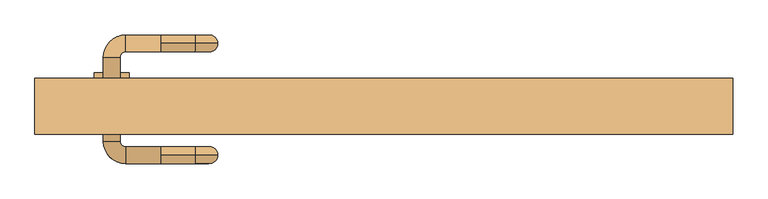
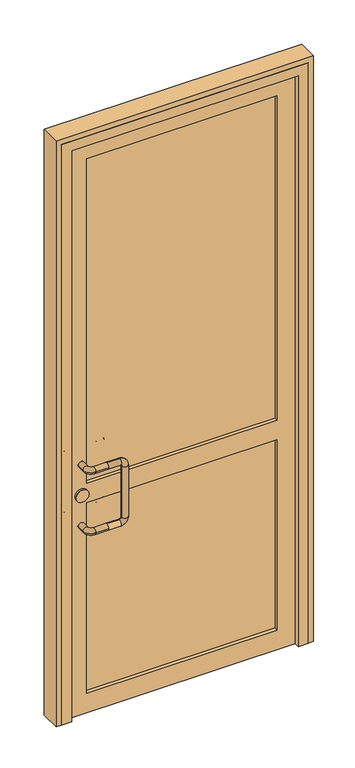
"""IFC4 building model written with IfcOpenShell, lengths in millimetres: door geometry."""

from ifc_helpers import new_model, si_unit, point, frame, frame_2d, origin, place, context, project, spatial, polyline, circle_curve, ellipse_curve, trimmed, segment, composite_curve, outline, extrude, faceted_brep, source, transform, mapped, element, save
from ifc_brep_helpers import cylinder_surface, revolved_surface, advanced_brep


def door_597c512e(model_context):
    return source(origin(), model_context, "Body", "SolidModel", [
        advanced_brep(
        [(-320.0, 112.0, 1025.0), (-370.0, 112.0, 1025.0), (-370.0, 88.0, 1025.0), (-320.0, 88.0, 1025.0), (-320.0, 100.0, 1037.0), (-320.0, 100.0, 1013.0), (-402.0, 80.0, 1025.0), (-378.0, 80.0, 1025.0), (-402.0, -40.0, 1025.0), (-378.0, -40.0, 1025.0), (-370.0, -72.0, 1025.0), (-370.0, -48.0, 1025.0), (-320.0, -72.0, 1025.0), (-320.0, -60.0, 1037.0), (-320.0, -48.0, 1025.0), (-320.0, -60.0, 1013.0), (-270.0, 100.0, 1013.0), (-270.0, 100.0, 1037.0), (-262.0, 100.0, 1005.0), (-238.0, 100.0, 1005.0), (-262.0, 100.0, 795.0), (-238.0, 100.0, 795.0), (-270.0, 100.0, 787.0), (-270.0, 100.0, 763.0), (-320.0, 100.0, 787.0), (-320.0, 88.0, 775.0), (-320.0, 100.0, 763.0), (-320.0, 112.0, 775.0), (-370.0, 112.0, 775.0), (-370.0, 88.0, 775.0), (-402.0, 80.0, 775.0), (-378.0, 80.0, 775.0), (-402.0, -40.0, 775.0), (-378.0, -40.0, 775.0), (-370.0, -72.0, 775.0), (-370.0, -48.0, 775.0), (-320.0, -72.0, 775.0), (-320.0, -60.0, 787.0), (-320.0, -48.0, 775.0), (-320.0, -60.0, 763.0), (-270.0, -60.0, 1013.0), (-270.0, -60.0, 1037.0), (-262.0, -60.0, 1005.0), (-238.0, -60.0, 1005.0), (-262.0, -60.0, 795.0), (-238.0, -60.0, 795.0), (-270.0, -60.0, 787.0), (-270.0, -60.0, 763.0)],
        [
            (0, 1),
            (1, 2, circle_curve(frame((-370.0, 100.0, 1025.0), z_axis=(1.0, 0.0, 0.0), x_axis=(0.0, -1.0, 0.0)), 12.0)),
            (2, 3),
            (3, 4, circle_curve(frame((-320.0, 100.0, 1025.0), z_axis=(-1.0, 0.0, 0.0), x_axis=(0.0, -1.0, 0.0)), 12.0)),
            (4, 0, circle_curve(frame((-320.0, 100.0, 1025.0), z_axis=(-1.0, 0.0, 0.0), x_axis=(0.0, -1.0, 0.0)), 12.0)),
            (0, 5, circle_curve(frame((-320.0, 100.0, 1025.0), z_axis=(-1.0, 0.0, 0.0), x_axis=(0.0, -1.0, 0.0)), 12.0)),
            (5, 3, circle_curve(frame((-320.0, 100.0, 1025.0), z_axis=(-1.0, 0.0, 0.0), x_axis=(0.0, -1.0, 0.0)), 12.0)),
            (2, 1, circle_curve(frame((-370.0, 100.0, 1025.0), z_axis=(1.0, 0.0, 0.0), x_axis=(0.0, -1.0, 0.0)), 12.0)),
            (1, 6, circle_curve(frame((-370.0, 80.0, 1025.0), z_axis=(0.0, 0.0, 1.0), x_axis=(0.0, 1.0, 0.0)), 32.0)),
            (6, 7, circle_curve(frame((-390.0, 80.0, 1025.0), z_axis=(0.0, 1.0, 0.0), x_axis=(1.0, 0.0, 0.0)), 12.0)),
            (7, 2, circle_curve(frame((-370.0, 80.0, 1025.0), z_axis=(0.0, 0.0, -1.0), x_axis=(0.0, 1.0, 0.0)), 8.0)),
            (7, 6, circle_curve(frame((-390.0, 80.0, 1025.0), z_axis=(0.0, 1.0, 0.0), x_axis=(1.0, 0.0, 0.0)), 12.0)),
            (6, 8),
            (8, 9, circle_curve(frame((-390.0, -40.0, 1025.0), z_axis=(0.0, 1.0, 0.0), x_axis=(1.0, 0.0, 0.0)), 12.0)),
            (9, 7),
            (9, 8, circle_curve(frame((-390.0, -40.0, 1025.0), z_axis=(0.0, 1.0, 0.0), x_axis=(1.0, 0.0, 0.0)), 12.0)),
            (8, 10, circle_curve(frame((-370.0, -40.0, 1025.0), z_axis=(0.0, 0.0, 1.0), x_axis=(-1.0, 0.0, 0.0)), 32.0)),
            (10, 11, circle_curve(frame((-370.0, -60.0, 1025.0), z_axis=(-1.0, 0.0, 0.0), x_axis=(0.0, 1.0, 0.0)), 12.0)),
            (11, 9, circle_curve(frame((-370.0, -40.0, 1025.0), z_axis=(0.0, 0.0, -1.0), x_axis=(-1.0, 0.0, 0.0)), 8.0)),
            (11, 10, circle_curve(frame((-370.0, -60.0, 1025.0), z_axis=(-1.0, 0.0, 0.0), x_axis=(0.0, 1.0, 0.0)), 12.0)),
            (10, 12),
            (12, 13, circle_curve(frame((-320.0, -60.0, 1025.0), z_axis=(-1.0, 0.0, 0.0), x_axis=(0.0, 1.0, 0.0)), 12.0)),
            (13, 14, circle_curve(frame((-320.0, -60.0, 1025.0), z_axis=(-1.0, 0.0, 0.0), x_axis=(0.0, 1.0, 0.0)), 12.0)),
            (14, 11),
            (14, 15, circle_curve(frame((-320.0, -60.0, 1025.0), z_axis=(-1.0, 0.0, 0.0), x_axis=(0.0, 1.0, 0.0)), 12.0)),
            (15, 12, circle_curve(frame((-320.0, -60.0, 1025.0), z_axis=(-1.0, 0.0, 0.0), x_axis=(0.0, 1.0, 0.0)), 12.0)),
            (5, 16),
            (16, 17, circle_curve(frame((-270.0, 100.0, 1025.0), z_axis=(-1.0, 0.0, 0.0), x_axis=(0.0, 0.0, 1.0)), 12.0)),
            (17, 4),
            (17, 16, circle_curve(frame((-270.0, 100.0, 1025.0), z_axis=(-1.0, 0.0, 0.0), x_axis=(0.0, 0.0, 1.0)), 12.0)),
            (16, 18, circle_curve(frame((-270.0, 100.0, 1005.0), z_axis=(0.0, 1.0, 0.0), x_axis=(0.0, 0.0, 1.0)), 8.0)),
            (18, 19, circle_curve(frame((-250.0, 100.0, 1005.0), z_axis=(0.0, 0.0, 1.0), x_axis=(1.0, 0.0, 0.0)), 12.0)),
            (19, 17, circle_curve(frame((-270.0, 100.0, 1005.0), z_axis=(0.0, -1.0, 0.0), x_axis=(0.0, 0.0, 1.0)), 32.0)),
            (19, 18, circle_curve(frame((-250.0, 100.0, 1005.0), z_axis=(0.0, 0.0, 1.0), x_axis=(1.0, 0.0, 0.0)), 12.0)),
            (18, 20),
            (20, 21, circle_curve(frame((-250.0, 100.0, 795.0), z_axis=(0.0, 0.0, 1.0), x_axis=(1.0, 0.0, 0.0)), 12.0)),
            (21, 19),
            (21, 20, circle_curve(frame((-250.0, 100.0, 795.0), z_axis=(0.0, 0.0, 1.0), x_axis=(1.0, 0.0, 0.0)), 12.0)),
            (20, 22, circle_curve(frame((-270.0, 100.0, 795.0), z_axis=(0.0, 1.0, 0.0), x_axis=(1.0, 0.0, 0.0)), 8.0)),
            (22, 23, circle_curve(frame((-270.0, 100.0, 775.0), z_axis=(1.0, 0.0, 0.0), x_axis=(0.0, 0.0, -1.0)), 12.0)),
            (23, 21, circle_curve(frame((-270.0, 100.0, 795.0), z_axis=(0.0, -1.0, 0.0), x_axis=(1.0, 0.0, 0.0)), 32.0)),
            (23, 22, circle_curve(frame((-270.0, 100.0, 775.0), z_axis=(1.0, 0.0, 0.0), x_axis=(0.0, 0.0, -1.0)), 12.0)),
            (22, 24),
            (24, 25, circle_curve(frame((-320.0, 100.0, 775.0), z_axis=(1.0, 0.0, 0.0), x_axis=(0.0, 0.0, -1.0)), 12.0)),
            (25, 26, circle_curve(frame((-320.0, 100.0, 775.0), z_axis=(1.0, 0.0, 0.0), x_axis=(0.0, 0.0, -1.0)), 12.0)),
            (26, 23),
            (26, 27, circle_curve(frame((-320.0, 100.0, 775.0), z_axis=(1.0, 0.0, 0.0), x_axis=(0.0, 0.0, -1.0)), 12.0)),
            (27, 24, circle_curve(frame((-320.0, 100.0, 775.0), z_axis=(1.0, 0.0, 0.0), x_axis=(0.0, 0.0, -1.0)), 12.0)),
            (27, 28),
            (28, 29, circle_curve(frame((-370.0, 100.0, 775.0), z_axis=(1.0, 0.0, 0.0), x_axis=(0.0, -1.0, 0.0)), 12.0)),
            (29, 25),
            (29, 28, circle_curve(frame((-370.0, 100.0, 775.0), z_axis=(1.0, 0.0, 0.0), x_axis=(0.0, -1.0, 0.0)), 12.0)),
            (28, 30, circle_curve(frame((-370.0, 80.0, 775.0), z_axis=(0.0, 0.0, 1.0), x_axis=(0.0, 1.0, 0.0)), 32.0)),
            (30, 31, circle_curve(frame((-390.0, 80.0, 775.0), z_axis=(0.0, 1.0, 0.0), x_axis=(1.0, 0.0, 0.0)), 12.0)),
            (31, 29, circle_curve(frame((-370.0, 80.0, 775.0), z_axis=(0.0, 0.0, -1.0), x_axis=(0.0, 1.0, 0.0)), 8.0)),
            (31, 30, circle_curve(frame((-390.0, 80.0, 775.0), z_axis=(0.0, 1.0, 0.0), x_axis=(1.0, 0.0, 0.0)), 12.0)),
            (30, 32),
            (32, 33, circle_curve(frame((-390.0, -40.0, 775.0), z_axis=(0.0, 1.0, 0.0), x_axis=(1.0, 0.0, 0.0)), 12.0)),
            (33, 31),
            (33, 32, circle_curve(frame((-390.0, -40.0, 775.0), z_axis=(0.0, 1.0, 0.0), x_axis=(1.0, 0.0, 0.0)), 12.0)),
            (32, 34, circle_curve(frame((-370.0, -40.0, 775.0), z_axis=(0.0, 0.0, 1.0), x_axis=(-1.0, 0.0, 0.0)), 32.0)),
            (34, 35, circle_curve(frame((-370.0, -60.0, 775.0), z_axis=(-1.0, 0.0, 0.0), x_axis=(0.0, 1.0, 0.0)), 12.0)),
            (35, 33, circle_curve(frame((-370.0, -40.0, 775.0), z_axis=(0.0, 0.0, -1.0), x_axis=(-1.0, 0.0, 0.0)), 8.0)),
            (35, 34, circle_curve(frame((-370.0, -60.0, 775.0), z_axis=(-1.0, 0.0, 0.0), x_axis=(0.0, 1.0, 0.0)), 12.0)),
            (34, 36),
            (36, 37, circle_curve(frame((-320.0, -60.0, 775.0), z_axis=(-1.0, 0.0, 0.0), x_axis=(0.0, 1.0, 0.0)), 12.0)),
            (37, 38, circle_curve(frame((-320.0, -60.0, 775.0), z_axis=(-1.0, 0.0, 0.0), x_axis=(0.0, 1.0, 0.0)), 12.0)),
            (38, 35),
            (38, 39, circle_curve(frame((-320.0, -60.0, 775.0), z_axis=(-1.0, 0.0, 0.0), x_axis=(0.0, 1.0, 0.0)), 12.0)),
            (39, 36, circle_curve(frame((-320.0, -60.0, 775.0), z_axis=(-1.0, 0.0, 0.0), x_axis=(0.0, 1.0, 0.0)), 12.0)),
            (15, 40),
            (40, 41, circle_curve(frame((-270.0, -60.0, 1025.0), z_axis=(-1.0, 0.0, 0.0), x_axis=(0.0, 0.0, 1.0)), 12.0)),
            (41, 13),
            (41, 40, circle_curve(frame((-270.0, -60.0, 1025.0), z_axis=(-1.0, 0.0, 0.0), x_axis=(0.0, 0.0, 1.0)), 12.0)),
            (40, 42, circle_curve(frame((-270.0, -60.0, 1005.0), z_axis=(0.0, 1.0, 0.0), x_axis=(0.0, 0.0, 1.0)), 8.0)),
            (42, 43, circle_curve(frame((-250.0, -60.0, 1005.0), z_axis=(0.0, 0.0, 1.0), x_axis=(1.0, 0.0, 0.0)), 12.0)),
            (43, 41, circle_curve(frame((-270.0, -60.0, 1005.0), z_axis=(0.0, -1.0, 0.0), x_axis=(0.0, 0.0, 1.0)), 32.0)),
            (43, 42, circle_curve(frame((-250.0, -60.0, 1005.0), z_axis=(0.0, 0.0, 1.0), x_axis=(1.0, 0.0, 0.0)), 12.0)),
            (42, 44),
            (44, 45, circle_curve(frame((-250.0, -60.0, 795.0), z_axis=(0.0, 0.0, 1.0), x_axis=(1.0, 0.0, 0.0)), 12.0)),
            (45, 43),
            (45, 44, circle_curve(frame((-250.0, -60.0, 795.0), z_axis=(0.0, 0.0, 1.0), x_axis=(1.0, 0.0, 0.0)), 12.0)),
            (44, 46, circle_curve(frame((-270.0, -60.0, 795.0), z_axis=(0.0, 1.0, 0.0), x_axis=(1.0, 0.0, 0.0)), 8.0)),
            (46, 47, circle_curve(frame((-270.0, -60.0, 775.0), z_axis=(1.0, 0.0, 0.0), x_axis=(0.0, 0.0, -1.0)), 12.0)),
            (47, 45, circle_curve(frame((-270.0, -60.0, 795.0), z_axis=(0.0, -1.0, 0.0), x_axis=(1.0, 0.0, 0.0)), 32.0)),
            (47, 46, circle_curve(frame((-270.0, -60.0, 775.0), z_axis=(1.0, 0.0, 0.0), x_axis=(0.0, 0.0, -1.0)), 12.0)),
            (46, 37),
            (39, 47),
        ],
        [
            cylinder_surface(frame((-320.0, 100.0, 1025.0), z_axis=(1.0, 0.0, 0.0), x_axis=(0.0, -1.0, 0.0)), 12.0),
            revolved_surface(trimmed(ellipse_curve(frame((-370.0, 100.0, 1025.0), z_axis=(1.0, 0.0, 0.0), x_axis=(0.0, -1.0, 0.0)), 12.0, 12.0), [point((-370.0, 112.0, 1025.0))], [point((-370.0, 88.0, 1025.0))], True, "CARTESIAN"), (-370.0, 80.0, 1025.0), (0.0, 0.0, 1.0)),
            revolved_surface(trimmed(ellipse_curve(frame((-370.0, 100.0, 1025.0), z_axis=(1.0, 0.0, 0.0), x_axis=(0.0, -1.0, 0.0)), 12.0, 12.0), [point((-370.0, 88.0, 1025.0))], [point((-370.0, 112.0, 1025.0))], True, "CARTESIAN"), (-370.0, 80.0, 1025.0), (0.0, 0.0, 1.0)),
            cylinder_surface(frame((-390.0, 80.0, 1025.0), z_axis=(0.0, 1.0, 0.0), x_axis=(1.0, 0.0, 0.0)), 12.0),
            revolved_surface(trimmed(ellipse_curve(frame((-390.0, -40.0, 1025.0), z_axis=(0.0, 1.0, 0.0), x_axis=(1.0, 0.0, 0.0)), 12.0, 12.0), [point((-402.0, -40.0, 1025.0))], [point((-378.0, -40.0, 1025.0))], True, "CARTESIAN"), (-370.0, -40.0, 1025.0), (0.0, 0.0, 1.0)),
            revolved_surface(trimmed(ellipse_curve(frame((-390.0, -40.0, 1025.0), z_axis=(0.0, 1.0, 0.0), x_axis=(1.0, 0.0, 0.0)), 12.0, 12.0), [point((-378.0, -40.0, 1025.0))], [point((-402.0, -40.0, 1025.0))], True, "CARTESIAN"), (-370.0, -40.0, 1025.0), (0.0, 0.0, 1.0)),
            cylinder_surface(frame((-370.0, -60.0, 1025.0), z_axis=(-1.0, 0.0, 0.0), x_axis=(0.0, 1.0, 0.0)), 12.0),
            cylinder_surface(frame((-320.0, 100.0, 1025.0), z_axis=(-1.0, 0.0, 0.0), x_axis=(0.0, 0.0, 1.0)), 12.0),
            revolved_surface(trimmed(ellipse_curve(frame((-270.0, 100.0, 1025.0), z_axis=(-1.0, 0.0, 0.0), x_axis=(0.0, 0.0, 1.0)), 12.0, 12.0), [point((-270.0, 100.0, 1013.0))], [point((-270.0, 100.0, 1037.0))], True, "CARTESIAN"), (-270.0, 100.0, 1005.0), (0.0, 1.0, 0.0)),
            revolved_surface(trimmed(ellipse_curve(frame((-270.0, 100.0, 1025.0), z_axis=(-1.0, 0.0, 0.0), x_axis=(0.0, 0.0, 1.0)), 12.0, 12.0), [point((-270.0, 100.0, 1037.0))], [point((-270.0, 100.0, 1013.0))], True, "CARTESIAN"), (-270.0, 100.0, 1005.0), (0.0, 1.0, 0.0)),
            cylinder_surface(frame((-250.0, 100.0, 1005.0), z_axis=(0.0, 0.0, 1.0), x_axis=(1.0, 0.0, 0.0)), 12.0),
            revolved_surface(trimmed(ellipse_curve(frame((-250.0, 100.0, 795.0), z_axis=(0.0, 0.0, 1.0), x_axis=(1.0, 0.0, 0.0)), 12.0, 12.0), [point((-262.0, 100.0, 795.0))], [point((-238.0, 100.0, 795.0))], True, "CARTESIAN"), (-270.0, 100.0, 795.0), (0.0, 1.0, 0.0)),
            revolved_surface(trimmed(ellipse_curve(frame((-250.0, 100.0, 795.0), z_axis=(0.0, 0.0, 1.0), x_axis=(1.0, 0.0, 0.0)), 12.0, 12.0), [point((-238.0, 100.0, 795.0))], [point((-262.0, 100.0, 795.0))], True, "CARTESIAN"), (-270.0, 100.0, 795.0), (0.0, 1.0, 0.0)),
            cylinder_surface(frame((-270.0, 100.0, 775.0), z_axis=(1.0, 0.0, 0.0), x_axis=(0.0, 0.0, -1.0)), 12.0),
            cylinder_surface(frame((-320.0, 100.0, 775.0), z_axis=(1.0, 0.0, 0.0), x_axis=(0.0, -1.0, 0.0)), 12.0),
            revolved_surface(trimmed(ellipse_curve(frame((-370.0, 100.0, 775.0), z_axis=(1.0, 0.0, 0.0), x_axis=(0.0, -1.0, 0.0)), 12.0, 12.0), [point((-370.0, 112.0, 775.0))], [point((-370.0, 88.0, 775.0))], True, "CARTESIAN"), (-370.0, 80.0, 775.0), (0.0, 0.0, 1.0)),
            revolved_surface(trimmed(ellipse_curve(frame((-370.0, 100.0, 775.0), z_axis=(1.0, 0.0, 0.0), x_axis=(0.0, -1.0, 0.0)), 12.0, 12.0), [point((-370.0, 88.0, 775.0))], [point((-370.0, 112.0, 775.0))], True, "CARTESIAN"), (-370.0, 80.0, 775.0), (0.0, 0.0, 1.0)),
            cylinder_surface(frame((-390.0, 80.0, 775.0), z_axis=(0.0, 1.0, 0.0), x_axis=(1.0, 0.0, 0.0)), 12.0),
            revolved_surface(trimmed(ellipse_curve(frame((-390.0, -40.0, 775.0), z_axis=(0.0, 1.0, 0.0), x_axis=(1.0, 0.0, 0.0)), 12.0, 12.0), [point((-402.0, -40.0, 775.0))], [point((-378.0, -40.0, 775.0))], True, "CARTESIAN"), (-370.0, -40.0, 775.0), (0.0, 0.0, 1.0)),
            revolved_surface(trimmed(ellipse_curve(frame((-390.0, -40.0, 775.0), z_axis=(0.0, 1.0, 0.0), x_axis=(1.0, 0.0, 0.0)), 12.0, 12.0), [point((-378.0, -40.0, 775.0))], [point((-402.0, -40.0, 775.0))], True, "CARTESIAN"), (-370.0, -40.0, 775.0), (0.0, 0.0, 1.0)),
            cylinder_surface(frame((-370.0, -60.0, 775.0), z_axis=(-1.0, 0.0, 0.0), x_axis=(0.0, 1.0, 0.0)), 12.0),
            cylinder_surface(frame((-320.0, -60.0, 1025.0), z_axis=(-1.0, 0.0, 0.0), x_axis=(0.0, 0.0, 1.0)), 12.0),
            revolved_surface(trimmed(ellipse_curve(frame((-270.0, -60.0, 1025.0), z_axis=(-1.0, 0.0, 0.0), x_axis=(0.0, 0.0, 1.0)), 12.0, 12.0), [point((-270.0, -60.0, 1013.0))], [point((-270.0, -60.0, 1037.0))], True, "CARTESIAN"), (-270.0, -60.0, 1005.0), (0.0, 1.0, 0.0)),
            revolved_surface(trimmed(ellipse_curve(frame((-270.0, -60.0, 1025.0), z_axis=(-1.0, 0.0, 0.0), x_axis=(0.0, 0.0, 1.0)), 12.0, 12.0), [point((-270.0, -60.0, 1037.0))], [point((-270.0, -60.0, 1013.0))], True, "CARTESIAN"), (-270.0, -60.0, 1005.0), (0.0, 1.0, 0.0)),
            cylinder_surface(frame((-250.0, -60.0, 1005.0), z_axis=(0.0, 0.0, 1.0), x_axis=(1.0, 0.0, 0.0)), 12.0),
            revolved_surface(trimmed(ellipse_curve(frame((-250.0, -60.0, 795.0), z_axis=(0.0, 0.0, 1.0), x_axis=(1.0, 0.0, 0.0)), 12.0, 12.0), [point((-262.0, -60.0, 795.0))], [point((-238.0, -60.0, 795.0))], True, "CARTESIAN"), (-270.0, -60.0, 795.0), (0.0, 1.0, 0.0)),
            revolved_surface(trimmed(ellipse_curve(frame((-250.0, -60.0, 795.0), z_axis=(0.0, 0.0, 1.0), x_axis=(1.0, 0.0, 0.0)), 12.0, 12.0), [point((-238.0, -60.0, 795.0))], [point((-262.0, -60.0, 795.0))], True, "CARTESIAN"), (-270.0, -60.0, 795.0), (0.0, 1.0, 0.0)),
            cylinder_surface(frame((-270.0, -60.0, 775.0), z_axis=(1.0, 0.0, 0.0), x_axis=(0.0, 0.0, -1.0)), 12.0),
        ],
        [
            (0, [[1, 2, 3, 4, 5]]),
            (0, [[-1, 6, 7, -3, 8]]),
            (1, [[-2, 9, 10, 11]]),
            (2, [[-8, -11, 12, -9]]),
            (3, [[-10, 13, 14, 15]]),
            (3, [[-12, -15, 16, -13]]),
            (4, [[-14, 17, 18, 19]]),
            (5, [[-16, -19, 20, -17]]),
            (6, [[-18, 21, 22, 23, 24]]),
            (6, [[-20, -24, 25, 26, -21]]),
            (7, [[27, 28, 29, -4, -7]]),
            (7, [[-27, -6, -5, -29, 30]]),
            (8, [[-28, 31, 32, 33]]),
            (9, [[-30, -33, 34, -31]]),
            (10, [[-32, 35, 36, 37]]),
            (10, [[-34, -37, 38, -35]]),
            (11, [[-36, 39, 40, 41]]),
            (12, [[-38, -41, 42, -39]]),
            (13, [[-40, 43, 44, 45, 46]]),
            (13, [[-42, -46, 47, 48, -43]]),
            (14, [[49, 50, 51, -44, -48]]),
            (14, [[-49, -47, -45, -51, 52]]),
            (15, [[-50, 53, 54, 55]]),
            (16, [[-52, -55, 56, -53]]),
            (17, [[-54, 57, 58, 59]]),
            (17, [[-56, -59, 60, -57]]),
            (18, [[-58, 61, 62, 63]]),
            (19, [[-60, -63, 64, -61]]),
            (20, [[-62, 65, 66, 67, 68]]),
            (20, [[-64, -68, 69, 70, -65]]),
            (21, [[71, 72, 73, -22, -26]]),
            (21, [[-71, -25, -23, -73, 74]]),
            (22, [[-72, 75, 76, 77]]),
            (23, [[-74, -77, 78, -75]]),
            (24, [[-76, 79, 80, 81]]),
            (24, [[-78, -81, 82, -79]]),
            (25, [[-80, 83, 84, 85]]),
            (26, [[-82, -85, 86, -83]]),
            (27, [[-84, 87, -66, -70, 88]]),
            (27, [[-86, -88, -69, -67, -87]]),
        ],
    ),
        extrude(outline(composite_curve([segment(trimmed(circle_curve(frame_2d((900.0, -390.0)), 25.0), [point((900.0, -415.0))], [point((900.0, -365.0))], False, "CARTESIAN"), True, "CONTINUOUS"), segment(trimmed(circle_curve(frame_2d((900.0, -390.0)), 25.0), [point((900.0, -365.0))], [point((900.0, -415.0))], False, "CARTESIAN"), True, "CONTINUOUS")], self_intersect=False)), frame((0.0, -18.0, 0.0), z_axis=(0.0, 1.0, 0.0), x_axis=(0.0, 0.0, 1.0)), (0.0, 0.0, 1.0), 76.0),
        extrude(outline(polyline([(-370.0, 35.0), (370.0, 35.0), (370.0, 5.0), (-370.0, 5.0), (-370.0, 35.0)])), frame((0.0, 0.0, 80.0), z_axis=(0.0, 0.0, 1.0), x_axis=(1.0, 0.0, 0.0)), (0.0, 0.0, 1.0), 780.0),
        extrude(outline(polyline([(-370.0, 35.0), (370.0, 35.0), (370.0, 5.0), (-370.0, 5.0), (-370.0, 35.0)])), frame((0.0, 0.0, 940.0), z_axis=(0.0, 0.0, 1.0), x_axis=(1.0, 0.0, 0.0)), (0.0, 0.0, 1.0), 1330.0),
        extrude(outline(polyline([(2350.0, 450.0), (2350.0, -450.0), (0.0, -450.0), (0.0, 450.0), (2350.0, 450.0)]), holes=[polyline([(940.0, -370.0), (2270.0, -370.0), (2270.0, 370.0), (940.0, 370.0), (940.0, -370.0)]), polyline([(80.0, 370.0), (80.0, -370.0), (860.0, -370.0), (860.0, 370.0), (80.0, 370.0)])]), frame((0.0, -10.0, 0.0), z_axis=(0.0, 1.0, 0.0), x_axis=(0.0, 0.0, 1.0)), (0.0, 0.0, 1.0), 60.0),
        extrude(outline(polyline([(0.0, 500.0), (2400.0, 500.0), (2400.0, -500.0), (0.0, -500.0), (0.0, -480.0), (2380.0, -480.0), (2380.0, 480.0), (0.0, 480.0), (0.0, 500.0)])), frame((0.0, -30.0, 0.0), z_axis=(0.0, 1.0, 0.0), x_axis=(0.0, 0.0, 1.0)), (0.0, 0.0, 1.0), 80.0),
        faceted_brep([(-480.0, -30.0, 0.0), (-480.0, 50.0, 0.0), (-450.0, 50.0, 0.0), (-450.0, -10.0, 0.0), (-440.0, -10.0, 0.0), (-440.0, -30.0, 0.0), (-480.0, -30.0, 2380.0), (-480.0, 50.0, 2380.0), (480.0, 50.0, 2380.0), (480.0, 50.0, 0.0), (450.0, 50.0, 0.0), (450.0, 50.0, 2350.0), (-450.0, 50.0, 2350.0), (-450.0, -10.0, 2350.0), (450.0, -10.0, 2350.0), (450.0, -10.0, 0.0), (440.0, -10.0, 0.0), (440.0, -10.0, 2340.0), (-440.0, -10.0, 2340.0), (-440.0, -30.0, 2340.0), (440.0, -30.0, 2340.0), (440.0, -30.0, 0.0), (480.0, -30.0, 0.0), (480.0, -30.0, 2380.0)], [[[0, 1, 2, 3, 4, 5]], [[1, 0, 6, 7]], [[2, 1, 7, 8, 9, 10, 11, 12]], [[3, 2, 12, 13]], [[4, 3, 13, 14, 15, 16, 17, 18]], [[5, 4, 18, 19]], [[0, 5, 19, 20, 21, 22, 23, 6]], [[7, 6, 23, 8]], [[13, 12, 11, 14]], [[19, 18, 17, 20]], [[22, 21, 16, 15, 10, 9]], [[8, 23, 22, 9]], [[14, 11, 10, 15]], [[20, 17, 16, 21]]]),
    ])


if __name__ == "__main__":
    model = new_model("IFC4")
    model_context = context("Model", 3, world=origin())
    ifc_project = project(units=[si_unit("LENGTHUNIT", "METRE", prefix="MILLI")], contexts=[model_context])
    site = spatial("IfcSite", under=ifc_project)
    building = spatial("IfcBuilding", under=site)
    placement = place(None, origin())
    door_shape = door_597c512e(model_context)
    element("IfcDoor", 1, at=placement, inside=building, context=model_context, shape_type="MappedRepresentation", body=[
        mapped(door_shape, transform((0.0, 0.0, 0.0), x_axis=(1.0, 0.0, 0.0), y_axis=(0.0, 1.0, 0.0), z_axis=(0.0, 0.0, 1.0))),
    ])
    save(model, "model.ifc")
